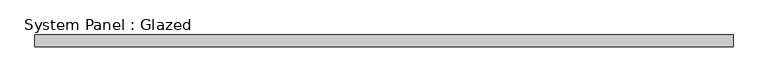
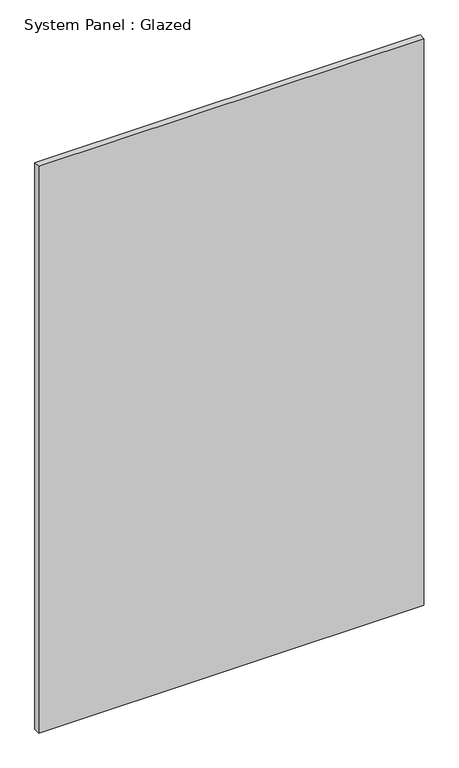
"""IFC4 building model written with IfcOpenShell, lengths in millimetres: plate geometry, System Panel : Glazed."""

from ifc_helpers import new_model, si_unit, origin, origin_with_axes, place, context, project, spatial, polyline, outline, extrude, source, transform, mapped, element, save


def system_panel_glazed_e45d5687(model_context):
    return source(origin(), model_context, "Body", "SweptSolid", [
        extrude(outline(polyline([(747.4750147, 24.5), (-747.4750147, 24.5), (-747.4750147, 49.5), (747.4750147, 49.5), (747.4750147, 24.5)])), origin_with_axes(), (0.0, 0.0, 1.0), 2325.0),
    ])


if __name__ == "__main__":
    model = new_model("IFC4")
    model_context = context("Model", 3, world=origin())
    ifc_project = project(units=[si_unit("LENGTHUNIT", "METRE", prefix="MILLI")], contexts=[model_context])
    site = spatial("IfcSite", under=ifc_project)
    building = spatial("IfcBuilding", under=site)
    placement = place(None, origin())
    system_panel_glazed_shape = system_panel_glazed_e45d5687(model_context)
    element("IfcPlate", 1, ObjectType="System Panel : Glazed", at=placement, inside=building, context=model_context, shape_type="MappedRepresentation", body=[
        mapped(system_panel_glazed_shape, transform((0.0, 0.0, 0.0), x_axis=(1.0, 0.0, 0.0), y_axis=(0.0, 1.0, 0.0), z_axis=(0.0, 0.0, 1.0))),
    ])
    save(model, "model.ifc")
